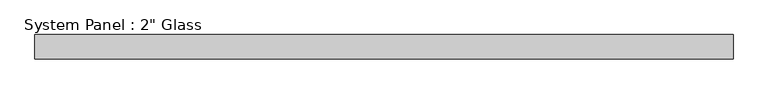
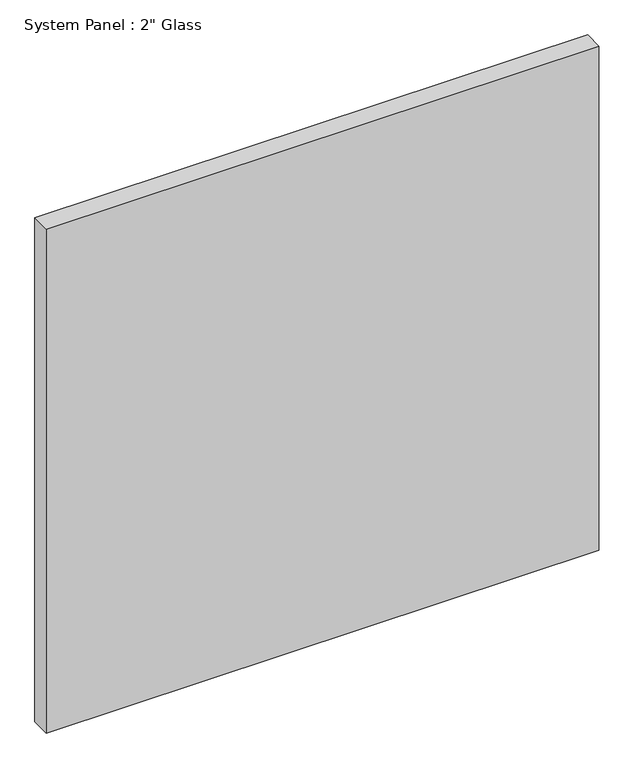
"""IFC4 building model written with IfcOpenShell, lengths in millimetres: plate geometry."""

from ifc_helpers import new_model, si_unit, origin, origin_with_axes, place, context, project, spatial, polyline, outline, extrude, source, transform, mapped, element, save


def plate_1f6727bb(model_context):
    return source(origin(), model_context, "Body", "SweptSolid", [
        extrude(outline(polyline([(724.9095691, -25.4), (-724.9095691, -25.4), (-724.9095691, 25.4), (724.9095691, 25.4), (724.9095691, -25.4)])), origin_with_axes(), (0.0, 0.0, 1.0), 1397.5261731),
    ])


if __name__ == "__main__":
    model = new_model("IFC4")
    model_context = context("Model", 3, world=origin())
    ifc_project = project(units=[si_unit("LENGTHUNIT", "METRE", prefix="MILLI")], contexts=[model_context])
    site = spatial("IfcSite", under=ifc_project)
    building = spatial("IfcBuilding", under=site)
    placement = place(None, origin())
    plate_shape = plate_1f6727bb(model_context)
    element("IfcPlate", 1, ObjectType="System Panel : 2\" Glass", at=placement, inside=building, context=model_context, shape_type="MappedRepresentation", body=[
        mapped(plate_shape, transform((0.0, 0.0, 0.0), x_axis=(1.0, 0.0, 0.0), y_axis=(0.0, 1.0, 0.0), z_axis=(0.0, 0.0, 1.0))),
    ])
    save(model, "model.ifc")
